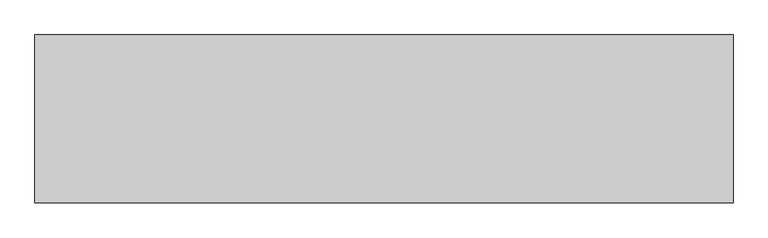
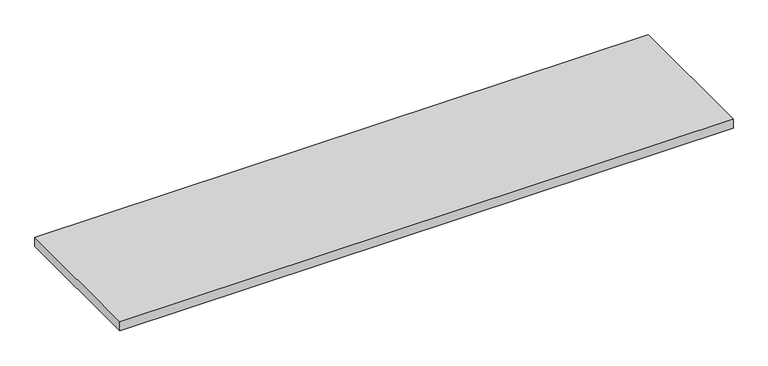
"""IFC4 building model written with IfcOpenShell, lengths in millimetres: furniture geometry."""

from ifc_helpers import new_model, si_unit, frame, origin, place, context, project, spatial, polyline, outline, extrude, source, transform, mapped, element, save


def furniture_266884a2(model_context):
    return source(origin(), model_context, "Body", "SweptSolid", [
        extrude(outline(polyline([(990.6, 238.125), (990.6, -238.125), (-990.6, -238.125), (-990.6, 238.125), (990.6, 238.125)])), frame((0.0, 0.0, 706.4375), z_axis=(0.0, 0.0, 1.0), x_axis=(1.0, 0.0, 0.0)), (0.0, 0.0, 1.0), 30.1625),
    ])


if __name__ == "__main__":
    model = new_model("IFC4")
    model_context = context("Model", 3, world=origin())
    ifc_project = project(units=[si_unit("LENGTHUNIT", "METRE", prefix="MILLI")], contexts=[model_context])
    site = spatial("IfcSite", under=ifc_project)
    building = spatial("IfcBuilding", under=site)
    placement = place(None, origin())
    furniture_shape = furniture_266884a2(model_context)
    element("IfcFurniture", 1, at=placement, inside=building, context=model_context, shape_type="MappedRepresentation", body=[
        mapped(furniture_shape, transform((0.0, 0.0, 0.0), x_axis=(1.0, 0.0, 0.0), y_axis=(0.0, 1.0, 0.0), z_axis=(0.0, 0.0, 1.0))),
    ])
    save(model, "model.ifc")
